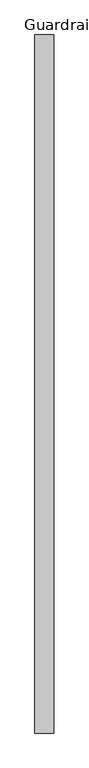
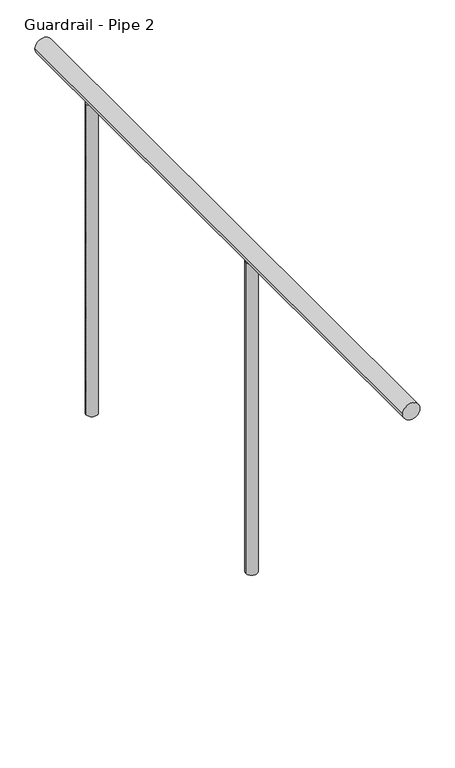
"""IFC4 building model written with IfcOpenShell, lengths in millimetres: railing geometry, Guardrail - Pipe 2."""

import ifcopenshell
import ifcopenshell.guid

model = None  # the IFC model being written
_history = None  # IfcOwnerHistory: only IFC2X3 demands one
_inside = {}  # id of a spatial element -> (the spatial element, [elements in it])
_under = {}  # id of a project, library or spatial element -> (it, [spatial elements below it])
_declared = {}  # id of a project -> (the project, [libraries it declares])
_typed = {}  # id of a type object -> (the type object, [elements of that type])
_made_of = {}  # id of a material, layer set ... -> (it, [elements and type objects made of it])


def new_model(schema):
    """Start an empty IFC model of exactly this schema.

    Asked for "IFC4X3", IfcOpenShell would pick the latest addendum, in which some entities
    have other attributes; the version numbers below select the first issue.
    IFC2X3 requires an IfcOwnerHistory on every rooted entity: one is made here for all.
    """
    global model, _history
    if schema == "IFC4X3":
        model = ifcopenshell.file(schema_version=(4, 3, 0, 0))
    else:
        model = ifcopenshell.file(schema=schema)
    _inside.clear()
    _under.clear()
    _declared.clear()
    _typed.clear()
    _made_of.clear()
    _history = None
    if model.schema == "IFC2X3":
        org = make("IfcOrganization", Name="unknown")
        user = make(
            "IfcPersonAndOrganization",
            ThePerson=make("IfcPerson", FamilyName="unknown"),
            TheOrganization=org,
        )
        app = make(
            "IfcApplication",
            ApplicationDeveloper=org,
            Version="unknown",
            ApplicationFullName="unknown",
            ApplicationIdentifier="unknown",
        )
        _history = make(
            "IfcOwnerHistory",
            OwningUser=user,
            OwningApplication=app,
            ChangeAction="ADDED",
            CreationDate=0,
        )
    return model


def make(cls, **values):
    """One entity of the class cls with the attributes given. An attribute that is None is left unset."""
    return model.create_entity(
        cls, **{name: value for name, value in values.items() if value is not None}
    )


def rooted(cls, **values):
    """An entity with a GlobalId (a new one), such as an element, a storey or a relation."""
    return make(cls, GlobalId=ifcopenshell.guid.new(), OwnerHistory=_history, **values)


def si_unit(unit_type, name, prefix=None):
    """IfcSIUnit, for example si_unit("LENGTHUNIT", "METRE", prefix="MILLI")."""
    return make("IfcSIUnit", UnitType=unit_type, Prefix=prefix, Name=name)


def assignment(units):
    """IfcUnitAssignment: the units of a project."""
    return None if units is None else make("IfcUnitAssignment", Units=units)


def point(xyz):
    """IfcCartesianPoint."""
    return None if xyz is None else make("IfcCartesianPoint", Coordinates=xyz)


def direction(xyz):
    """IfcDirection."""
    return None if xyz is None else make("IfcDirection", DirectionRatios=xyz)


def frame(location, z_axis=None, x_axis=None):
    """IfcAxis2Placement3D, a coordinate frame: its origin and axes. An axis left out is left unset."""
    return make(
        "IfcAxis2Placement3D",
        Location=point(location),
        Axis=direction(z_axis),
        RefDirection=direction(x_axis),
    )


def frame_2d(location, x_axis=None):
    """IfcAxis2Placement2D, a coordinate frame in the plane: its origin and x axis."""
    return make(
        "IfcAxis2Placement2D", Location=point(location), RefDirection=direction(x_axis)
    )


def origin():
    """The frame at (0, 0, 0) with its axes left unset."""
    return frame((0.0, 0.0, 0.0))


def place(relative_to, where):
    """IfcLocalPlacement: puts the frame where relative to a parent placement (None: the world)."""
    return make(
        "IfcLocalPlacement", PlacementRelTo=relative_to, RelativePlacement=where
    )


def context(
    kind, dimensions, precision=None, world=None, true_north=None, identifier=None
):
    """IfcGeometricRepresentationContext, for example the 3D "Model" context."""
    return make(
        "IfcGeometricRepresentationContext",
        ContextIdentifier=identifier,
        ContextType=kind,
        CoordinateSpaceDimension=dimensions,
        Precision=precision,
        WorldCoordinateSystem=world,
        TrueNorth=true_north,
    )


def project(units=None, contexts=None):
    """IfcProject with its units and contexts."""
    return rooted(
        "IfcProject",
        Name="project",
        RepresentationContexts=contexts,
        UnitsInContext=assignment(units),
    )


def spatial(cls, under=None, at=None, **own):
    """A site, building, storey or space (cls), placed at a placement, below another one or the project."""
    s = rooted(cls, ObjectPlacement=at, **own)
    if under is not None:
        _under.setdefault(under.id(), (under, []))[1].append(s)
    return s


def circle_curve(where, radius):
    """IfcCircle in the frame where."""
    return make("IfcCircle", Position=where, Radius=radius)


def trimmed(basis, trim1, trim2, sense, master):
    """IfcTrimmedCurve: the piece of a basis curve between two trims."""
    return make(
        "IfcTrimmedCurve",
        BasisCurve=basis,
        Trim1=trim1,
        Trim2=trim2,
        SenseAgreement=sense,
        MasterRepresentation=master,
    )


def segment(curve, same_sense, transition):
    """IfcCompositeCurveSegment."""
    return make(
        "IfcCompositeCurveSegment",
        Transition=transition,
        SameSense=same_sense,
        ParentCurve=curve,
    )


def composite_curve(segments, self_intersect=None):
    """IfcCompositeCurve: segments joined end to end."""
    return make("IfcCompositeCurve", Segments=segments, SelfIntersect=self_intersect)


def outline(outer, holes=None, kind="AREA"):
    """IfcArbitraryClosedProfileDef: a profile drawn as a closed curve; with holes, ...WithVoids."""
    if holes is None:
        return make("IfcArbitraryClosedProfileDef", ProfileType=kind, OuterCurve=outer)
    return make(
        "IfcArbitraryProfileDefWithVoids",
        ProfileType=kind,
        OuterCurve=outer,
        InnerCurves=holes,
    )


def extrude(swept, where, along, depth):
    """IfcExtrudedAreaSolid: the profile swept, set in the frame where, extruded along a direction by depth."""
    return make(
        "IfcExtrudedAreaSolid",
        SweptArea=swept,
        Position=where,
        ExtrudedDirection=direction(along),
        Depth=depth,
    )


def shape(context_of_items, identifier, shape_type, items):
    """IfcShapeRepresentation: the items that make up one representation, for example the "Body"."""
    return make(
        "IfcShapeRepresentation",
        ContextOfItems=context_of_items,
        RepresentationIdentifier=identifier,
        RepresentationType=shape_type,
        Items=items,
    )


def source(mapping_origin, context_of_items, identifier, shape_type, items):
    """IfcRepresentationMap: a shape defined once, which mapped items show again and again."""
    return make(
        "IfcRepresentationMap",
        MappingOrigin=mapping_origin,
        MappedRepresentation=shape(context_of_items, identifier, shape_type, items),
    )


def transform(
    local_origin,
    x_axis=None,
    y_axis=None,
    z_axis=None,
    scale=None,
    scale2=None,
    scale3=None,
    uniform=True,
):
    """IfcCartesianTransformationOperator3D, or its non-uniform kind. x_axis, y_axis, z_axis: its Axis1, 2, 3."""
    if uniform:
        return make(
            "IfcCartesianTransformationOperator3D",
            Axis1=direction(x_axis),
            Axis2=direction(y_axis),
            LocalOrigin=point(local_origin),
            Scale=scale,
            Axis3=direction(z_axis),
        )
    return make(
        "IfcCartesianTransformationOperator3DnonUniform",
        Axis1=direction(x_axis),
        Axis2=direction(y_axis),
        LocalOrigin=point(local_origin),
        Scale=scale,
        Axis3=direction(z_axis),
        Scale2=scale2,
        Scale3=scale3,
    )


def mapped(mapping_source, mapping_target):
    """IfcMappedItem: shows the shape of a source again, moved by a transform."""
    return make(
        "IfcMappedItem", MappingSource=mapping_source, MappingTarget=mapping_target
    )


def made_of(thing, what):
    """Note that an element or type object is made of a material, layer set ...; save() writes the relation."""
    if what is not None:
        _made_of.setdefault(what.id(), (what, []))[1].append(thing)
    return thing


def element(
    cls,
    number,
    at=None,
    inside=None,
    cuts=None,
    type_object=None,
    material=None,
    context=None,
    identifier="Body",
    shape_type=None,
    held_by="IfcProductDefinitionShape",
    body=None,
    shapes=None,
    **own,
):
    """One element of the class cls, such as IfcWall. Its Tag is "e" and its number.

    at: its placement. inside: the storey or other place that contains it. cuts: it is an
    opening in that element (IfcRelVoidsElement). A single representation is given by context,
    identifier, shape_type and body (its items); several are given by shapes. held_by: the class
    of the entity that holds the representations. save() writes the other relations.
    """
    e = rooted(cls, Tag="e%d" % number, ObjectPlacement=at, **own)
    if body is not None:
        shapes = [shape(context, identifier, shape_type, body)]
    if shapes is not None:
        e.Representation = make(held_by, Representations=shapes)
    if inside is not None:
        _inside.setdefault(inside.id(), (inside, []))[1].append(e)
    if cuts is not None:
        rooted(
            "IfcRelVoidsElement", RelatingBuildingElement=cuts, RelatedOpeningElement=e
        )
    if type_object is not None:
        _typed.setdefault(type_object.id(), (type_object, []))[1].append(e)
    return made_of(e, material)


def aggregate(whole, parts):
    """IfcRelAggregates: a whole, such as a stair, and the parts it consists of."""
    return rooted("IfcRelAggregates", RelatingObject=whole, RelatedObjects=parts)


def save(model, path):
    """Write the relations noted so far, then the file.

    IfcRelAggregates (storeys below a building ...), IfcRelContainedInSpatialStructure (elements
    in a storey), IfcRelDefinesByType, IfcRelAssociatesMaterial and IfcRelDeclares: one each for
    every whole, place, type object, material and project.
    """
    for whole, parts in _under.values():
        aggregate(whole, parts)
    for where, things in _inside.values():
        rooted(
            "IfcRelContainedInSpatialStructure",
            RelatedElements=things,
            RelatingStructure=where,
        )
    for kind, things in _typed.values():
        rooted("IfcRelDefinesByType", RelatedObjects=things, RelatingType=kind)
    for what, things in _made_of.values():
        rooted("IfcRelAssociatesMaterial", RelatedObjects=things, RelatingMaterial=what)
    for by, libraries in _declared.values():
        rooted("IfcRelDeclares", RelatingContext=by, RelatedDefinitions=libraries)
    model.write(path)


def guardrail_pipe_2_9a9b88db(model_context):
    return source(origin(), model_context, "Body", "SweptSolid", [
        extrude(outline(composite_curve([segment(trimmed(circle_curve(frame_2d((5518.15, 274571.1125586)), 19.05), [point((5518.15, 274552.0625586))], [point((5518.15, 274590.1625586))], False, "CARTESIAN"), True, "CONTINUOUS"), segment(trimmed(circle_curve(frame_2d((5518.15, 274571.1125586)), 19.05), [point((5518.15, 274590.1625586))], [point((5518.15, 274552.0625586))], False, "CARTESIAN"), True, "CONTINUOUS")], self_intersect=False)), frame((0.0, -392998.92543, 0.0), z_axis=(0.0, 1.0, 0.0), x_axis=(0.0, 0.0, 1.0)), (0.0, 0.0, 1.0), 1403.1424076),
        extrude(outline(composite_curve([segment(trimmed(circle_curve(frame_2d((274571.1125586, -391779.72543)), 12.7), [point((274558.4125586, -391779.72543))], [point((274583.8125586, -391779.72543))], False, "CARTESIAN"), True, "CONTINUOUS"), segment(trimmed(circle_curve(frame_2d((274571.1125586, -391779.72543)), 12.7), [point((274583.8125586, -391779.72543))], [point((274558.4125586, -391779.72543))], False, "CARTESIAN"), True, "CONTINUOUS")], self_intersect=False)), frame((0.0, 0.0, 4775.2), z_axis=(0.0, 0.0, 1.0), x_axis=(1.0, 0.0, 0.0)), (0.0, 0.0, 1.0), 723.9),
        extrude(outline(composite_curve([segment(trimmed(circle_curve(frame_2d((274571.1125586, -392389.32543)), 12.7), [point((274558.4125586, -392389.32543))], [point((274583.8125586, -392389.32543))], False, "CARTESIAN"), True, "CONTINUOUS"), segment(trimmed(circle_curve(frame_2d((274571.1125586, -392389.32543)), 12.7), [point((274583.8125586, -392389.32543))], [point((274558.4125586, -392389.32543))], False, "CARTESIAN"), True, "CONTINUOUS")], self_intersect=False)), frame((0.0, 0.0, 4775.2), z_axis=(0.0, 0.0, 1.0), x_axis=(1.0, 0.0, 0.0)), (0.0, 0.0, 1.0), 723.9),
    ])


if __name__ == "__main__":
    model = new_model("IFC4")
    model_context = context("Model", 3, world=origin())
    ifc_project = project(units=[si_unit("LENGTHUNIT", "METRE", prefix="MILLI")], contexts=[model_context])
    site = spatial("IfcSite", under=ifc_project)
    building = spatial("IfcBuilding", under=site)
    placement = place(None, origin())
    guardrail_pipe_2_shape = guardrail_pipe_2_9a9b88db(model_context)
    element("IfcRailing", 1, ObjectType="Guardrail - Pipe 2", at=placement, inside=building, context=model_context, shape_type="MappedRepresentation", body=[
        mapped(guardrail_pipe_2_shape, transform((0.0, 0.0, 0.0), x_axis=(1.0, 0.0, 0.0), y_axis=(0.0, 1.0, 0.0), z_axis=(0.0, 0.0, 1.0))),
    ])
    save(model, "model.ifc")
